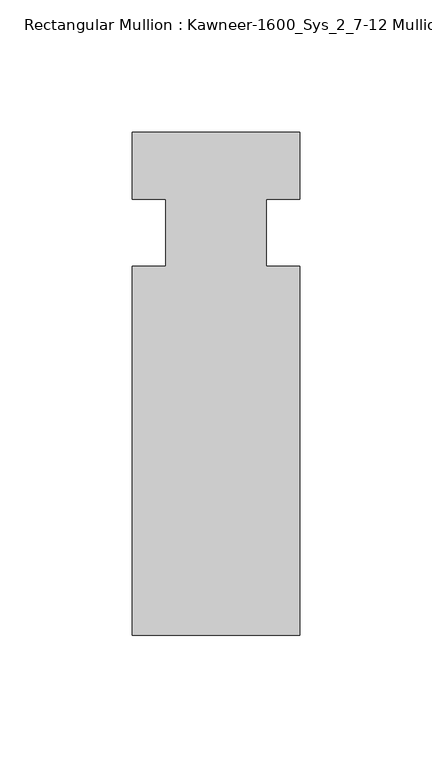
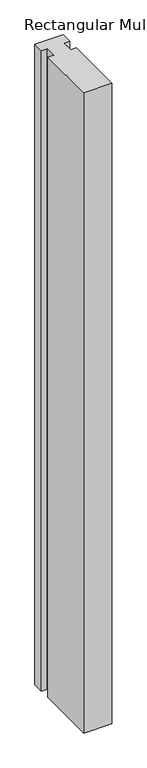
"""IFC4 building model written with IfcOpenShell, lengths in millimetres: member geometry, Rectangular Mullion : Kawneer-1600_Sys_2_7-12 Mullion_Horizontal."""

from ifc_helpers import new_model, si_unit, frame, origin, place, context, project, spatial, polyline, outline, extrude, source, transform, mapped, element, save


def rectangular_mullion_kawneer_1600_sys_2_7_12_mullion_3743ab1f(model_context):
    return source(origin(), model_context, "Body", "SweptSolid", [
        extrude(outline(polyline([(36.0844027, -152.4), (-27.4155973, -152.4), (-27.4155973, -12.7), (-14.7155973, -12.7), (-14.7155973, 12.7), (-27.4155973, 12.7), (-27.4155973, 38.1), (36.0844027, 38.1), (36.0844027, 12.7), (23.3826322, 12.7), (23.3826322, -12.7), (36.0844027, -12.7), (36.0844027, -152.4)])), frame((0.0, 0.0, -1524.0), z_axis=(0.0, 0.0, 1.0), x_axis=(1.0, 0.0, 0.0)), (0.0, 0.0, 1.0), 1524.0),
    ])


if __name__ == "__main__":
    model = new_model("IFC4")
    model_context = context("Model", 3, world=origin())
    ifc_project = project(units=[si_unit("LENGTHUNIT", "METRE", prefix="MILLI")], contexts=[model_context])
    site = spatial("IfcSite", under=ifc_project)
    building = spatial("IfcBuilding", under=site)
    placement = place(None, origin())
    rectangular_mullion_kawneer_1600_sys_2_7_12_mullion_shape = rectangular_mullion_kawneer_1600_sys_2_7_12_mullion_3743ab1f(model_context)
    element("IfcMember", 1, ObjectType="Rectangular Mullion : Kawneer-1600_Sys_2_7-12 Mullion_Horizontal", at=placement, inside=building, context=model_context, shape_type="MappedRepresentation", body=[
        mapped(rectangular_mullion_kawneer_1600_sys_2_7_12_mullion_shape, transform((0.0, 0.0, 0.0), x_axis=(1.0, 0.0, 0.0), y_axis=(0.0, 1.0, 0.0), z_axis=(0.0, 0.0, 1.0))),
    ])
    save(model, "model.ifc")
